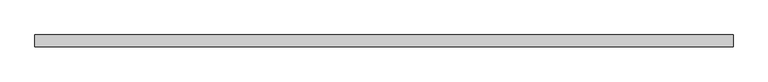
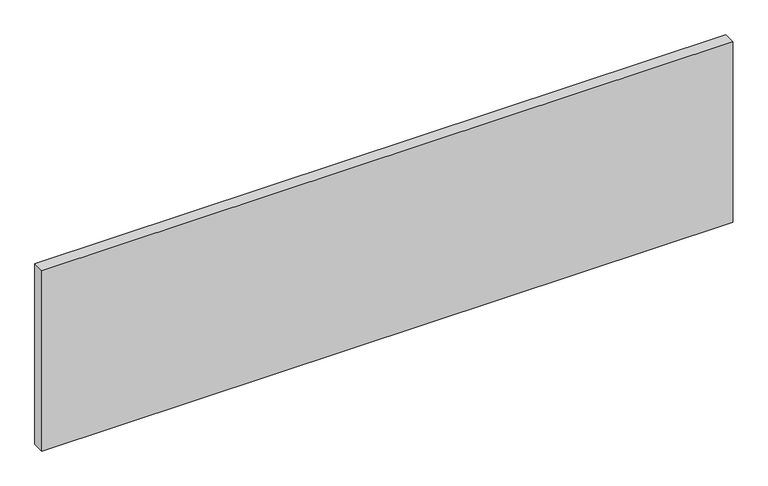
"""IFC4 building model written with IfcOpenShell, lengths in millimetres: plate geometry."""

from ifc_helpers import new_model, si_unit, origin, origin_with_axes, place, context, project, spatial, polyline, outline, extrude, source, transform, mapped, element, save


def plate_62a6527e(model_context):
    return source(origin(), model_context, "Body", "SweptSolid", [
        extrude(outline(polyline([(725.0, 24.5), (-725.0, 24.5), (-725.0, 49.5), (725.0, 49.5), (725.0, 24.5)])), origin_with_axes(), (0.0, 0.0, 1.0), 400.0),
    ])


if __name__ == "__main__":
    model = new_model("IFC4")
    model_context = context("Model", 3, world=origin())
    ifc_project = project(units=[si_unit("LENGTHUNIT", "METRE", prefix="MILLI")], contexts=[model_context])
    site = spatial("IfcSite", under=ifc_project)
    building = spatial("IfcBuilding", under=site)
    placement = place(None, origin())
    plate_shape = plate_62a6527e(model_context)
    element("IfcPlate", 1, at=placement, inside=building, context=model_context, shape_type="MappedRepresentation", body=[
        mapped(plate_shape, transform((0.0, 0.0, 0.0), x_axis=(1.0, 0.0, 0.0), y_axis=(0.0, 1.0, 0.0), z_axis=(0.0, 0.0, 1.0))),
    ])
    save(model, "model.ifc")
